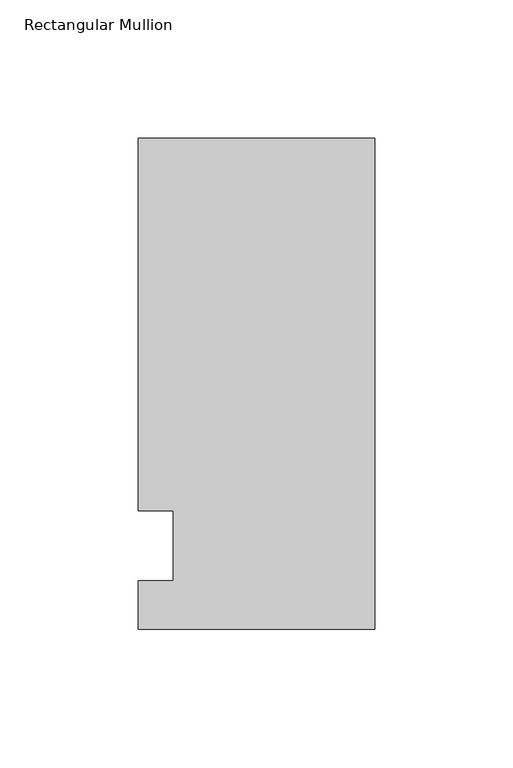
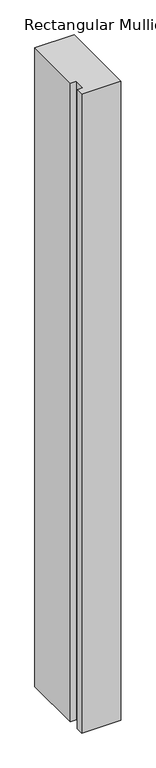
"""IFC4 building model written with IfcOpenShell, lengths in millimetres: member geometry, Rectangular Mullion."""

from ifc_helpers import new_model, si_unit, frame, origin, place, context, project, spatial, polyline, outline, extrude, source, transform, mapped, element, save


def rectangular_mullion_ce6b149b(model_context):
    return source(origin(), model_context, "Body", "SweptSolid", [
        extrude(outline(polyline([(-85.725, 147.6375), (0.0, 147.6375), (0.0, -30.1625), (-85.725, -30.1625), (-85.725, -12.7), (-73.0232296, -12.7), (-73.0232296, 12.7), (-85.725, 12.7), (-85.725, 147.6375)])), frame((0.0, 0.0, -1478.28), z_axis=(0.0, 0.0, 1.0), x_axis=(1.0, 0.0, 0.0)), (0.0, 0.0, 1.0), 1478.28),
    ])


if __name__ == "__main__":
    model = new_model("IFC4")
    model_context = context("Model", 3, world=origin())
    ifc_project = project(units=[si_unit("LENGTHUNIT", "METRE", prefix="MILLI")], contexts=[model_context])
    site = spatial("IfcSite", under=ifc_project)
    building = spatial("IfcBuilding", under=site)
    placement = place(None, origin())
    rectangular_mullion_shape = rectangular_mullion_ce6b149b(model_context)
    element("IfcMember", 1, ObjectType="Rectangular Mullion", at=placement, inside=building, context=model_context, shape_type="MappedRepresentation", body=[
        mapped(rectangular_mullion_shape, transform((0.0, 0.0, 0.0), x_axis=(1.0, 0.0, 0.0), y_axis=(0.0, 1.0, 0.0), z_axis=(0.0, 0.0, 1.0))),
    ])
    save(model, "model.ifc")
